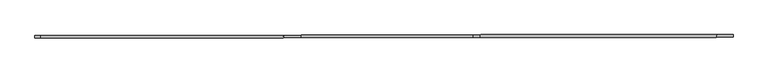
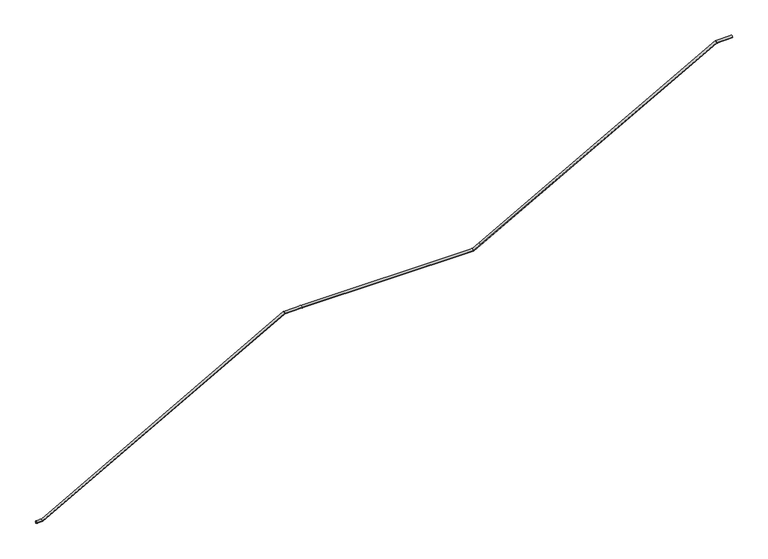
"""IFC4 building model written with IfcOpenShell, lengths in millimetres: railing geometry."""

from ifc_helpers import new_model, si_unit, frame, origin, place, context, project, spatial, circle_curve, ellipse_curve, source, transform, mapped, element, save
from ifc_brep_helpers import plane_surface, cylinder_surface, advanced_brep


def railing_4c7affbb(model_context):
    return source(origin(), model_context, "Body", "AdvancedBrep", [
        advanced_brep(
        [(69902.9050543, -37699.8420144, -6170.0), (69902.8469474, -37659.8420566, -6170.0), (70001.5681895, -37699.6986891, -6170.0), (70001.5100826, -37659.6987313, -6170.0), (74207.4301109, -37693.5889446, -3833.25), (74207.372004, -37653.5889868, -3833.25), (74502.9002007, -37693.1597231, -3833.25), (74502.8420938, -37653.1597653, -3833.25), (77484.9012939, -37688.8278489, -3833.25), (77484.843187, -37648.8278911, -3833.25), (77602.8969298, -37688.6564397, -3767.8709597), (77602.8388229, -37648.6564819, -3767.8709597), (81702.2513945, -37682.7014159, -1496.5), (81702.1932876, -37642.7014581, -1496.5), (81978.767596, -37682.2997281, -1496.5), (81978.7094891, -37642.2997703, -1496.5)],
        [
            (0, 1, circle_curve(frame((69902.8760008, -37679.8420355, -6170.0), z_axis=(-0.9999989448714222, -0.001452672035384205, 0.0), x_axis=(-0.001452672035384205, 0.9999989448714222, 0.0)), 20.0)),
            (1, 0, circle_curve(frame((69902.8760008, -37679.8420355, -6170.0), z_axis=(-0.9999989448714222, -0.001452672035384205, 0.0), x_axis=(-0.001452672035384205, 0.9999989448714222, 0.0)), 20.0)),
            (0, 2),
            (2, 3, ellipse_curve(frame((70001.539136, -37679.6987102, -6170.0), z_axis=(-0.9680236095129372, -0.0014062223108786038, -0.2508551653132879), x_axis=(-0.25085490062883387, -0.0003644102835740616, 0.9680246309033893)), 20.6606313, 20.0)),
            (3, 1),
            (3, 2, ellipse_curve(frame((70001.539136, -37679.6987102, -6170.0), z_axis=(-0.9680236095129372, -0.0014062223108786038, -0.2508551653132879), x_axis=(-0.25085490062883387, -0.0003644102835740616, 0.9680246309033893)), 20.6606313, 20.0)),
            (2, 4),
            (4, 5, ellipse_curve(frame((74207.4010574, -37673.5889657, -3833.25), z_axis=(-0.9680236095129372, -0.0014062223108792713, -0.2508551653132879), x_axis=(0.25085490062883437, 0.0003644102835766385, -0.968024630903389)), 20.6606313, 20.0)),
            (5, 3),
            (5, 4, ellipse_curve(frame((74207.4010574, -37673.5889657, -3833.25), z_axis=(-0.9680236095129372, -0.0014062223108792713, -0.2508551653132879), x_axis=(0.25085490062883437, 0.0003644102835766385, -0.968024630903389)), 20.6606313, 20.0)),
            (4, 6),
            (6, 7, circle_curve(frame((74502.8711472, -37673.1597442, -3833.25), z_axis=(-0.9999989448714222, -0.001452672035385497, 0.0), x_axis=(-0.001452672035385497, 0.9999989448714222, 0.0)), 20.0)),
            (7, 5),
            (7, 6, circle_curve(frame((74502.8711472, -37673.1597442, -3833.25), z_axis=(-0.9999989448714222, -0.001452672035385497, 0.0), x_axis=(-0.001452672035385497, 0.9999989448714222, 0.0)), 20.0)),
            (6, 8),
            (8, 9, ellipse_curve(frame((77484.8722404, -37668.82787, -3833.25), z_axis=(-0.9681685935081018, -0.0014064329253015392, -0.25029501890962663), x_axis=(-0.2502947548162001, -0.0003635965745537081, 0.9681696150515307)), 20.6575374, 20.0)),
            (9, 7),
            (9, 8, ellipse_curve(frame((77484.8722404, -37668.82787, -3833.25), z_axis=(-0.9681685935081018, -0.0014064329253015392, -0.25029501890962663), x_axis=(-0.2502947548162001, -0.0003635965745537081, 0.9681696150515307)), 20.6575374, 20.0)),
            (8, 10),
            (10, 11, circle_curve(frame((77602.8678763, -37668.6564608, -3767.8709597), z_axis=(-0.8747038840920204, -0.0012706592123815942, -0.48465606421409774), x_axis=(-0.0014526720353948887, 0.9999989448714222, 0.0)), 20.0)),
            (11, 9),
            (11, 10, circle_curve(frame((77602.8678763, -37668.6564608, -3767.8709597), z_axis=(-0.8747038840920204, -0.0012706592123815942, -0.48465606421409774), x_axis=(-0.0014526720353948887, 0.9999989448714222, 0.0)), 20.0)),
            (10, 12),
            (12, 13, ellipse_curve(frame((81702.222341, -37662.701437, -1496.5), z_axis=(-0.9681685935081016, -0.001406432925297341, -0.2502950189096273), x_axis=(0.25029475481619845, 0.00036359657456556455, -0.9681696150515311)), 20.6575374, 20.0)),
            (13, 11),
            (13, 12, ellipse_curve(frame((81702.222341, -37662.701437, -1496.5), z_axis=(-0.9681685935081016, -0.001406432925297341, -0.2502950189096273), x_axis=(0.25029475481619845, 0.00036359657456556455, -0.9681696150515311)), 20.6575374, 20.0)),
            (14, 15, circle_curve(frame((81978.7385425, -37662.2997492, -1496.5), z_axis=(0.9999989448714223, 0.00145267203538729, 0.0), x_axis=(-0.00145267203538729, 0.9999989448714223, 0.0)), 20.0)),
            (15, 14, circle_curve(frame((81978.7385425, -37662.2997492, -1496.5), z_axis=(0.9999989448714223, 0.00145267203538729, 0.0), x_axis=(-0.00145267203538729, 0.9999989448714223, 0.0)), 20.0)),
            (12, 14),
            (15, 13),
        ],
        [
            plane_surface(frame((69902.8760008, -37679.8420355, -6170.0), z_axis=(-0.9999989448714222, -0.001452672035384205, 0.0), x_axis=(-0.001452672035384205, 0.9999989448714222, 0.0))),
            cylinder_surface(frame((69902.8760008, -37679.8420355, -6170.0), z_axis=(-0.9999989448714222, -0.001452672035384205, 0.0), x_axis=(-0.001452672035384205, 0.9999989448714222, 0.0)), 20.0),
            cylinder_surface(frame((70001.539136, -37679.6987102, -6170.0), z_axis=(-0.874142449737633, -0.001269843631528538, -0.4856679576252083), x_axis=(-0.0014526720353883358, 0.9999989448714222, 0.0)), 20.0),
            cylinder_surface(frame((74207.4010574, -37673.5889657, -3833.25), z_axis=(-0.9999989448714222, -0.001452672035385497, 0.0), x_axis=(-0.001452672035385497, 0.9999989448714222, 0.0)), 20.0),
            cylinder_surface(frame((74502.8711472, -37673.1597442, -3833.25), z_axis=(-0.9999989448714222, -0.0014526720353883855, 0.0), x_axis=(-0.0014526720353883855, 0.9999989448714222, 0.0)), 20.0),
            cylinder_surface(frame((77484.8722404, -37668.82787, -3833.25), z_axis=(-0.8747038840920204, -0.0012706592123815942, -0.48465606421409774), x_axis=(-0.0014526720353948887, 0.9999989448714222, 0.0)), 20.0),
            cylinder_surface(frame((77602.8678763, -37668.6564608, -3767.8709597), z_axis=(-0.8747038840920196, -0.001270659212374561, -0.4846560642140991), x_axis=(-0.001452672035388737, 0.9999989448714222, 0.0)), 20.0),
            plane_surface(frame((81978.7385425, -37662.2997492, -1496.5), z_axis=(0.9999989448714222, 0.0014526720353872887, 0.0), x_axis=(-0.0014526720353872887, 0.9999989448714222, 0.0))),
            cylinder_surface(frame((81702.222341, -37662.701437, -1496.5), z_axis=(-0.9999989448714223, -0.00145267203538729, 0.0), x_axis=(-0.00145267203538729, 0.9999989448714223, 0.0)), 20.0),
        ],
        [
            (0, [[1, 2]]),
            (1, [[-1, 3, 4, 5]]),
            (1, [[-2, -5, 6, -3]]),
            (2, [[-4, 7, 8, 9]]),
            (2, [[-6, -9, 10, -7]]),
            (3, [[-8, 11, 12, 13]]),
            (3, [[-10, -13, 14, -11]]),
            (4, [[-12, 15, 16, 17]]),
            (4, [[-14, -17, 18, -15]]),
            (5, [[-16, 19, 20, 21]]),
            (5, [[-18, -21, 22, -19]]),
            (6, [[-20, 23, 24, 25]]),
            (6, [[-22, -25, 26, -23]]),
            (7, [[27, 28]]),
            (8, [[-24, 29, -28, 30]]),
            (8, [[-26, -30, -27, -29]]),
        ],
    ),
    ])


if __name__ == "__main__":
    model = new_model("IFC4")
    model_context = context("Model", 3, world=origin())
    ifc_project = project(units=[si_unit("LENGTHUNIT", "METRE", prefix="MILLI")], contexts=[model_context])
    site = spatial("IfcSite", under=ifc_project)
    building = spatial("IfcBuilding", under=site)
    placement = place(None, origin())
    railing_shape = railing_4c7affbb(model_context)
    element("IfcRailing", 1, at=placement, inside=building, context=model_context, shape_type="MappedRepresentation", body=[
        mapped(railing_shape, transform((0.0, 0.0, 0.0), x_axis=(1.0, 0.0, 0.0), y_axis=(0.0, 1.0, 0.0), z_axis=(0.0, 0.0, 1.0))),
    ])
    save(model, "model.ifc")
